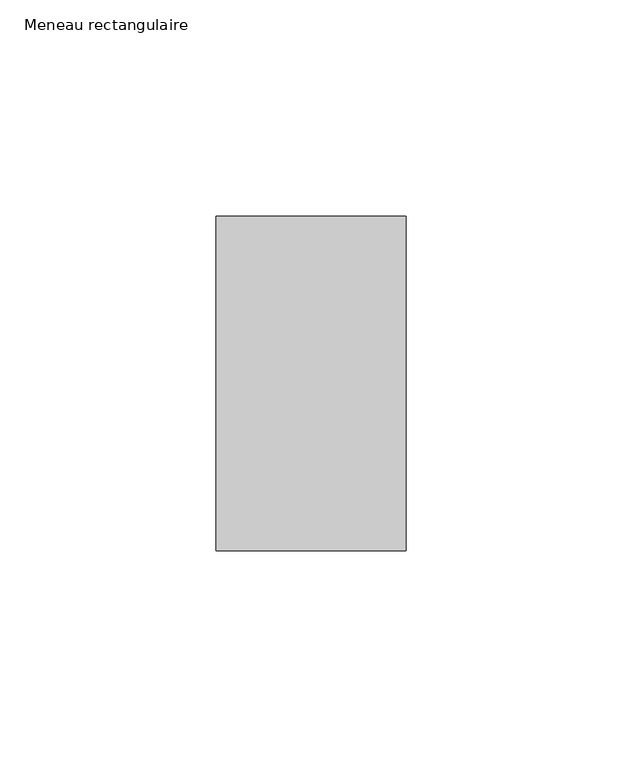
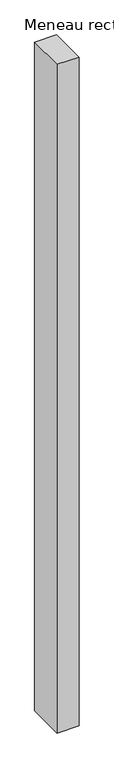
"""IFC4 building model written with IfcOpenShell, lengths in millimetres: member geometry, Meneau rectangulaire."""

from ifc_helpers import new_model, si_unit, frame, origin, place, context, project, spatial, polyline, outline, extrude, source, transform, mapped, element, save


def meneau_rectangulaire_ff50eb01(model_context):
    return source(origin(), model_context, "Body", "SweptSolid", [
        extrude(outline(polyline([(-44.0, 38.75), (0.0, 38.75), (0.0, -38.75), (-44.0, -38.75), (-44.0, 38.75)])), frame((0.0, 0.0, -1413.256074), z_axis=(0.0, 0.0, 1.0), x_axis=(1.0, 0.0, 0.0)), (0.0, 0.0, 1.0), 1413.256074),
    ])


if __name__ == "__main__":
    model = new_model("IFC4")
    model_context = context("Model", 3, world=origin())
    ifc_project = project(units=[si_unit("LENGTHUNIT", "METRE", prefix="MILLI")], contexts=[model_context])
    site = spatial("IfcSite", under=ifc_project)
    building = spatial("IfcBuilding", under=site)
    placement = place(None, origin())
    meneau_rectangulaire_shape = meneau_rectangulaire_ff50eb01(model_context)
    element("IfcMember", 1, ObjectType="Meneau rectangulaire", at=placement, inside=building, context=model_context, shape_type="MappedRepresentation", body=[
        mapped(meneau_rectangulaire_shape, transform((0.0, 0.0, 0.0), x_axis=(1.0, 0.0, 0.0), y_axis=(0.0, 1.0, 0.0), z_axis=(0.0, 0.0, 1.0))),
    ])
    save(model, "model.ifc")
